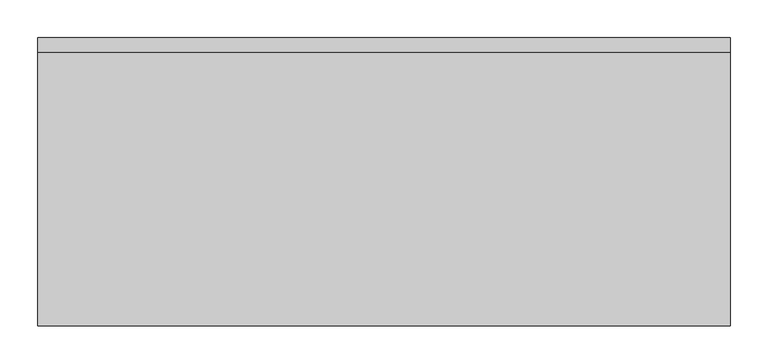
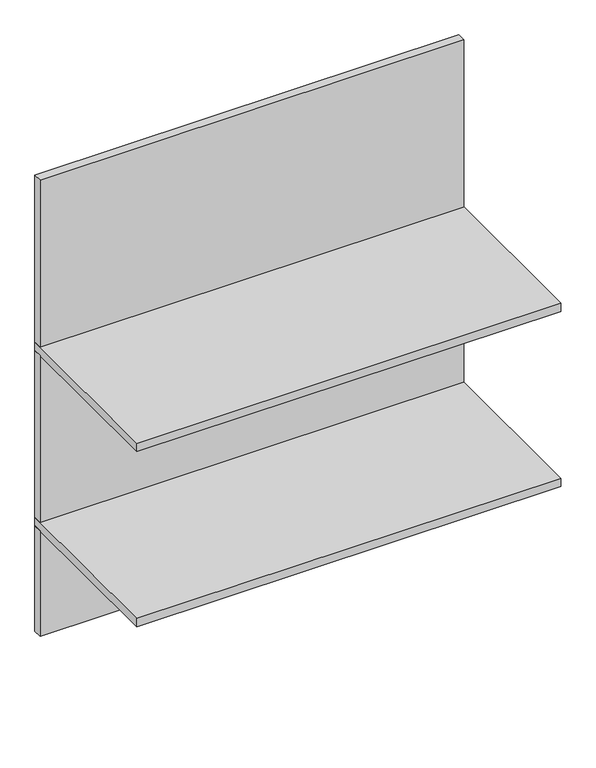
"""IFC4 building model written with IfcOpenShell, lengths in millimetres: furniture geometry."""

from ifc_helpers import new_model, si_unit, frame, origin, place, context, project, spatial, polyline, outline, extrude, source, transform, mapped, element, save


def furniture_80c17b8f(model_context):
    return source(origin(), model_context, "Body", "SweptSolid", [
        extrude(outline(polyline([(444.5, -12.7), (444.5, -31.75), (-469.9, -31.75), (-469.9, -12.7), (444.5, -12.7)])), frame((0.0, 0.0, 590.55), z_axis=(0.0, 0.0, 1.0), x_axis=(1.0, 0.0, 0.0)), (0.0, 0.0, 1.0), 241.3),
        extrude(outline(polyline([(444.5, -12.7), (444.5, -31.75), (-469.9, -31.75), (-469.9, -12.7), (444.5, -12.7)])), frame((0.0, 0.0, 850.9), z_axis=(0.0, 0.0, 1.0), x_axis=(1.0, 0.0, 0.0)), (0.0, 0.0, 1.0), 381.0),
        extrude(outline(polyline([(444.5, -12.7), (444.5, -31.75), (-469.9, -31.75), (-469.9, -12.7), (444.5, -12.7)])), frame((0.0, 0.0, 1250.95), z_axis=(0.0, 0.0, 1.0), x_axis=(1.0, 0.0, 0.0)), (0.0, 0.0, 1.0), 381.0),
        extrude(outline(polyline([(444.5, -12.7), (444.5, -393.7), (-469.9, -393.7), (-469.9, -12.7), (444.5, -12.7)])), frame((0.0, 0.0, 831.85), z_axis=(0.0, 0.0, 1.0), x_axis=(1.0, 0.0, 0.0)), (0.0, 0.0, 1.0), 19.05),
        extrude(outline(polyline([(444.5, -12.7), (444.5, -393.7), (-469.9, -393.7), (-469.9, -12.7), (444.5, -12.7)])), frame((0.0, 0.0, 1231.9), z_axis=(0.0, 0.0, 1.0), x_axis=(1.0, 0.0, 0.0)), (0.0, 0.0, 1.0), 19.05),
    ])


if __name__ == "__main__":
    model = new_model("IFC4")
    model_context = context("Model", 3, world=origin())
    ifc_project = project(units=[si_unit("LENGTHUNIT", "METRE", prefix="MILLI")], contexts=[model_context])
    site = spatial("IfcSite", under=ifc_project)
    building = spatial("IfcBuilding", under=site)
    placement = place(None, origin())
    furniture_shape = furniture_80c17b8f(model_context)
    element("IfcFurniture", 1, at=placement, inside=building, context=model_context, shape_type="MappedRepresentation", body=[
        mapped(furniture_shape, transform((0.0, 0.0, 0.0), x_axis=(1.0, 0.0, 0.0), y_axis=(0.0, 1.0, 0.0), z_axis=(0.0, 0.0, 1.0))),
    ])
    save(model, "model.ifc")
